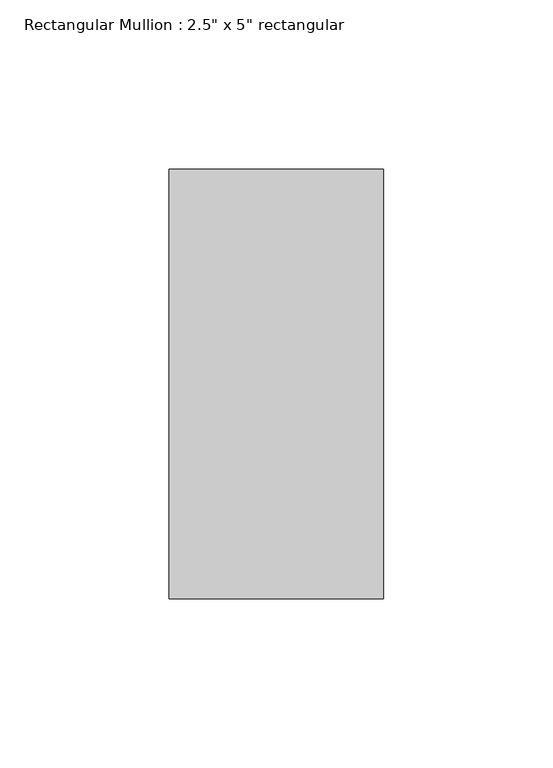
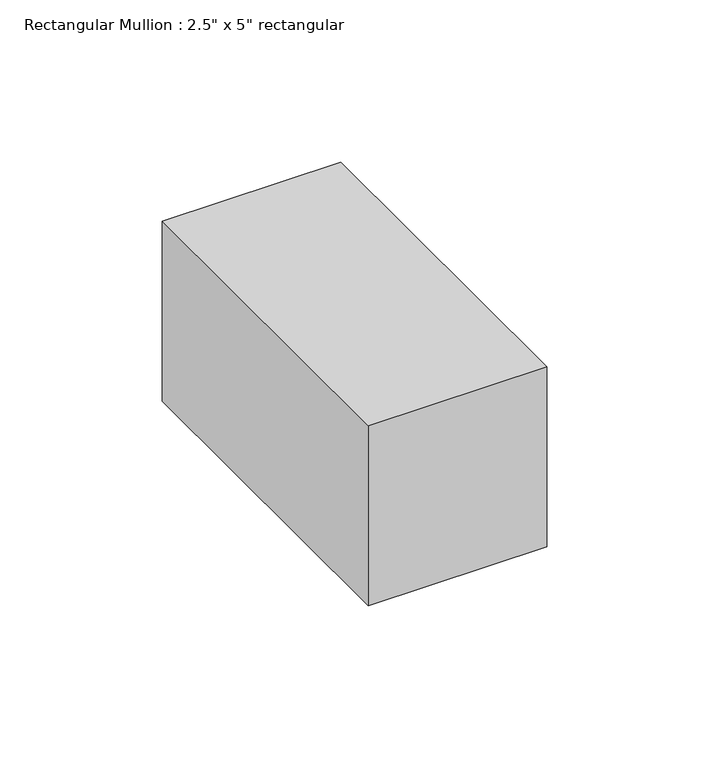
"""IFC4 building model written with IfcOpenShell, lengths in millimetres: member geometry."""

from ifc_helpers import new_model, si_unit, frame, origin, place, context, project, spatial, polyline, outline, extrude, source, transform, mapped, element, save


def member_3c3e4499(model_context):
    return source(origin(), model_context, "Body", "SweptSolid", [
        extrude(outline(polyline([(31.75, 63.5), (31.75, -63.5), (-31.75, -63.5), (-31.75, 63.5), (31.75, 63.5)])), frame((0.0, 0.0, -67.6474377), z_axis=(0.0, 0.0, 1.0), x_axis=(1.0, 0.0, 0.0)), (0.0, 0.0, 1.0), 67.6474377),
    ])


if __name__ == "__main__":
    model = new_model("IFC4")
    model_context = context("Model", 3, world=origin())
    ifc_project = project(units=[si_unit("LENGTHUNIT", "METRE", prefix="MILLI")], contexts=[model_context])
    site = spatial("IfcSite", under=ifc_project)
    building = spatial("IfcBuilding", under=site)
    placement = place(None, origin())
    member_shape = member_3c3e4499(model_context)
    element("IfcMember", 1, ObjectType="Rectangular Mullion : 2.5\" x 5\" rectangular", at=placement, inside=building, context=model_context, shape_type="MappedRepresentation", body=[
        mapped(member_shape, transform((0.0, 0.0, 0.0), x_axis=(1.0, 0.0, 0.0), y_axis=(0.0, 1.0, 0.0), z_axis=(0.0, 0.0, 1.0))),
    ])
    save(model, "model.ifc")
